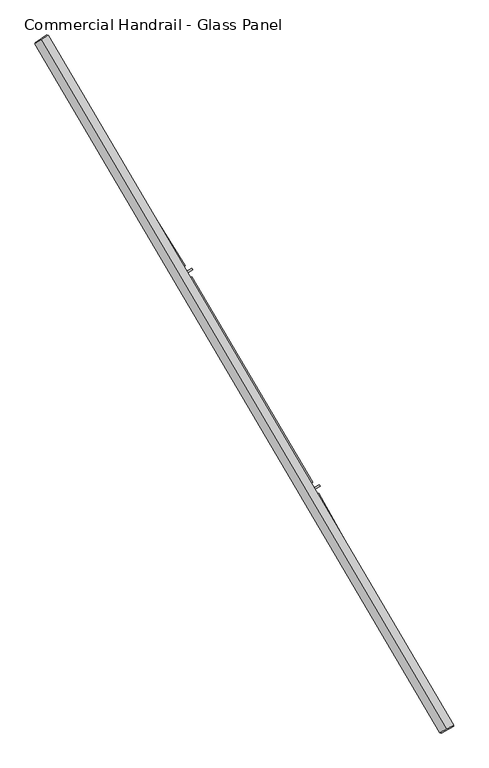
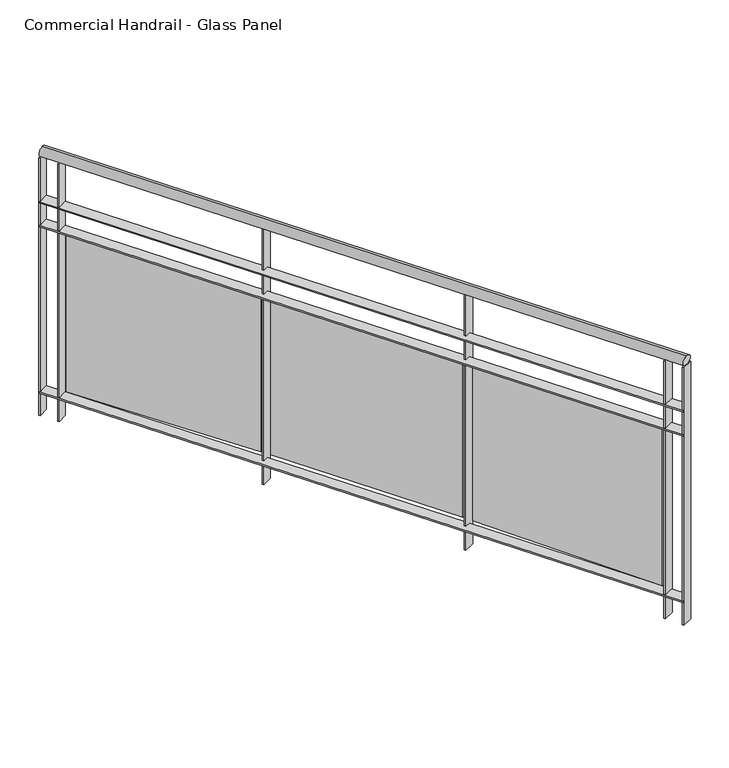
"""IFC4 building model written with IfcOpenShell, lengths in millimetres: railing geometry, Commercial Handrail - Glass Panel."""

from ifc_helpers import new_model, si_unit, point, frame, origin, place, context, project, spatial, polyline, circle_curve, ellipse_curve, trimmed, outline, extrude, source, transform, mapped, element, save
from ifc_brep_helpers import plane_surface, cylinder_surface, revolved_surface, advanced_brep


def commercial_handrail_glass_panel_740058ca(model_context):
    return source(origin(), model_context, "Body", "SolidModel", [
        advanced_brep(
        [(177076.0575657, -31977.9006077, 36682.5), (175783.9289157, -29780.3413827, 36682.5), (175783.9289157, -29780.3413827, 36717.5), (177076.0575657, -31977.9006077, 36717.5)],
        [
            (0, 1, circle_curve(frame((146629.3968491, -48401.3811221, 36682.5), z_axis=(0.0, 0.0, 1.0), x_axis=(0.8427679503753938, 0.5382770493157384, 0.0)), 34593.7835601)),
            (1, 2, ellipse_curve(frame((175783.9289157, -29780.3413827, 36700.0), z_axis=(0.5382770493157341, -0.8427679503753968, 0.0), x_axis=(-0.8427679503753965, -0.538277049315734, 0.0)), 25.0, 17.5)),
            (2, 3, circle_curve(frame((146629.3968491, -48401.3811221, 36717.5), z_axis=(0.0, 0.0, -1.0), x_axis=(0.8427679503753938, 0.5382770493157384, 0.0)), 34593.7835601)),
            (3, 0, ellipse_curve(frame((177076.0575657, -31977.9006077, 36700.0), z_axis=(-0.4747523636984615, 0.8801194198304706, 0.0), x_axis=(-0.8801194198304704, -0.4747523636984614, 0.0)), 25.0, 17.5)),
            (2, 1, ellipse_curve(frame((175783.9289157, -29780.3413827, 36700.0), z_axis=(0.5382770493157341, -0.8427679503753968, 0.0), x_axis=(-0.8427679503753965, -0.538277049315734, 0.0)), 25.0, 17.5)),
            (0, 3, ellipse_curve(frame((177076.0575657, -31977.9006077, 36700.0), z_axis=(-0.4747523636984615, 0.8801194198304706, 0.0), x_axis=(-0.8801194198304704, -0.4747523636984614, 0.0)), 25.0, 17.5)),
        ],
        [
            revolved_surface(trimmed(ellipse_curve(frame((175783.9289157, -29780.3413827, 36700.0), z_axis=(-0.5382770493157384, 0.8427679503753938, 0.0), x_axis=(0.0, 0.0, -1.0)), 17.5, 25.0), [point((175783.9289157, -29780.3413827, 36717.5))], [point((175783.9289157, -29780.3413827, 36682.5))], True, "CARTESIAN"), (146629.3968491, -48401.3811221, 36700.0), (0.0, 0.0, -1.0)),
            revolved_surface(trimmed(ellipse_curve(frame((175783.9289157, -29780.3413827, 36700.0), z_axis=(-0.5382770493157384, 0.8427679503753938, 0.0), x_axis=(0.0, 0.0, -1.0)), 17.5, 25.0), [point((175783.9289157, -29780.3413827, 36682.5))], [point((175783.9289157, -29780.3413827, 36717.5))], True, "CARTESIAN"), (146629.3968491, -48401.3811221, 36700.0), (0.0, 0.0, -1.0)),
            plane_surface(frame((175783.9289157, -29780.3413827, 36700.0), z_axis=(-0.5382770493157384, 0.8427679503753938, 0.0), x_axis=(0.8427679503753938, 0.5382770493157384, 0.0))),
            plane_surface(frame((177076.0575657, -31977.9006077, 36700.0), z_axis=(0.4747523636984607, -0.8801194198304708, 0.0), x_axis=(0.8801194198304708, 0.4747523636984607, 0.0))),
        ],
        [
            (0, [[1, 2, 3, 4]]),
            (1, [[-3, 5, -1, 6]]),
            (2, [[-2, -5]]),
            (3, [[-6, -4]]),
        ],
    ),
        advanced_brep(
        [(177095.8602527, -31967.2186795, 36500.0), (175802.8911946, -29768.2301491, 36500.0), (175764.9666369, -29792.4526163, 36500.0), (177056.2548788, -31988.5825359, 36500.0), (177095.8602527, -31967.2186795, 36494.0), (175802.8911946, -29768.2301491, 36494.0), (177056.2548788, -31988.5825359, 36494.0), (175764.9666369, -29792.4526163, 36494.0)],
        [
            (0, 1, circle_curve(frame((146629.3968491, -48401.3811221, 36500.0), z_axis=(0.0, 0.0, 1.0), x_axis=(0.8427679503753938, 0.5382770493157384, 0.0)), 34616.2835601)),
            (1, 2),
            (2, 3, circle_curve(frame((146629.3968491, -48401.3811221, 36500.0), z_axis=(0.0, 0.0, -1.0), x_axis=(0.8427679503753938, 0.5382770493157384, 0.0)), 34571.2835601)),
            (3, 0),
            (4, 5, circle_curve(frame((146629.3968491, -48401.3811221, 36494.0), z_axis=(0.0, 0.0, 1.0), x_axis=(0.8427679503753938, 0.5382770493157384, 0.0)), 34616.2835601)),
            (5, 1),
            (0, 4),
            (6, 7, circle_curve(frame((146629.3968491, -48401.3811221, 36494.0), z_axis=(0.0, 0.0, 1.0), x_axis=(0.8427679503753938, 0.5382770493157384, 0.0)), 34571.2835601)),
            (7, 5),
            (4, 6),
            (2, 7),
            (6, 3),
        ],
        [
            plane_surface(frame((146629.3968491, -48401.3811221, 36500.0), z_axis=(0.0, 0.0, 1.0), x_axis=(0.8427679503753938, 0.5382770493157384, 0.0))),
            cylinder_surface(frame((146629.3968491, -48401.3811221, 36500.0), z_axis=(0.0, 0.0, -1.0), x_axis=(0.8427679503753938, 0.5382770493157384, 0.0)), 34616.2835601),
            plane_surface(frame((146629.3968491, -48401.3811221, 36494.0), z_axis=(0.0, 0.0, -1.0), x_axis=(0.8427679503753938, 0.5382770493157384, 0.0))),
            revolved_surface(polyline([(175764.96663689203, -29792.45261631168, 36494.0), (175764.96663689203, -29792.45261631168, 36500.0)]), (146629.3968491, -48401.3811221, 36500.0), (0.0, 0.0, -1.0)),
            plane_surface(frame((175783.9289157, -29780.3413827, 36500.0), z_axis=(-0.5382770493157384, 0.8427679503753938, 0.0), x_axis=(0.8427679503753938, 0.5382770493157384, 0.0))),
            plane_surface(frame((177076.0575657, -31977.9006077, 36500.0), z_axis=(0.4747523636984607, -0.8801194198304708, 0.0), x_axis=(0.8801194198304708, 0.4747523636984607, 0.0))),
        ],
        [
            (0, [[1, 2, 3, 4]]),
            (1, [[5, 6, -1, 7]]),
            (2, [[8, 9, -5, 10]]),
            (3, [[-3, 11, -8, 12]]),
            (4, [[-2, -6, -9, -11]]),
            (5, [[-12, -10, -7, -4]]),
        ],
    ),
        advanced_brep(
        [(177095.8602527, -31967.2186795, 36400.0), (175802.8911946, -29768.2301491, 36400.0), (175764.9666369, -29792.4526163, 36400.0), (177056.2548788, -31988.5825359, 36400.0), (177095.8602527, -31967.2186795, 36394.0), (175802.8911946, -29768.2301491, 36394.0), (177056.2548788, -31988.5825359, 36394.0), (175764.9666369, -29792.4526163, 36394.0)],
        [
            (0, 1, circle_curve(frame((146629.3968491, -48401.3811221, 36400.0), z_axis=(0.0, 0.0, 1.0), x_axis=(0.8427679503753938, 0.5382770493157384, 0.0)), 34616.2835601)),
            (1, 2),
            (2, 3, circle_curve(frame((146629.3968491, -48401.3811221, 36400.0), z_axis=(0.0, 0.0, -1.0), x_axis=(0.8427679503753938, 0.5382770493157384, 0.0)), 34571.2835601)),
            (3, 0),
            (4, 5, circle_curve(frame((146629.3968491, -48401.3811221, 36394.0), z_axis=(0.0, 0.0, 1.0), x_axis=(0.8427679503753938, 0.5382770493157384, 0.0)), 34616.2835601)),
            (5, 1),
            (0, 4),
            (6, 7, circle_curve(frame((146629.3968491, -48401.3811221, 36394.0), z_axis=(0.0, 0.0, 1.0), x_axis=(0.8427679503753938, 0.5382770493157384, 0.0)), 34571.2835601)),
            (7, 5),
            (4, 6),
            (2, 7),
            (6, 3),
        ],
        [
            plane_surface(frame((146629.3968491, -48401.3811221, 36400.0), z_axis=(0.0, 0.0, 1.0), x_axis=(0.8427679503753938, 0.5382770493157384, 0.0))),
            cylinder_surface(frame((146629.3968491, -48401.3811221, 36400.0), z_axis=(0.0, 0.0, -1.0), x_axis=(0.8427679503753938, 0.5382770493157384, 0.0)), 34616.2835601),
            plane_surface(frame((146629.3968491, -48401.3811221, 36394.0), z_axis=(0.0, 0.0, -1.0), x_axis=(0.8427679503753938, 0.5382770493157384, 0.0))),
            revolved_surface(polyline([(175764.96663689203, -29792.45261631168, 36394.0), (175764.96663689203, -29792.45261631168, 36400.0)]), (146629.3968491, -48401.3811221, 36400.0), (0.0, 0.0, -1.0)),
            plane_surface(frame((175783.9289157, -29780.3413827, 36400.0), z_axis=(-0.5382770493157384, 0.8427679503753938, 0.0), x_axis=(0.8427679503753938, 0.5382770493157384, 0.0))),
            plane_surface(frame((177076.0575657, -31977.9006077, 36400.0), z_axis=(0.4747523636984607, -0.8801194198304708, 0.0), x_axis=(0.8801194198304708, 0.4747523636984607, 0.0))),
        ],
        [
            (0, [[1, 2, 3, 4]]),
            (1, [[5, 6, -1, 7]]),
            (2, [[8, 9, -5, 10]]),
            (3, [[-3, 11, -8, 12]]),
            (4, [[-2, -6, -9, -11]]),
            (5, [[-12, -10, -7, -4]]),
        ],
    ),
        advanced_brep(
        [(177095.8602527, -31967.2186795, 35700.0), (175802.8911946, -29768.2301491, 35700.0), (175764.9666369, -29792.4526163, 35700.0), (177056.2548788, -31988.5825359, 35700.0), (177095.8602527, -31967.2186795, 35694.0), (175802.8911946, -29768.2301491, 35694.0), (177056.2548788, -31988.5825359, 35694.0), (175764.9666369, -29792.4526163, 35694.0)],
        [
            (0, 1, circle_curve(frame((146629.3968491, -48401.3811221, 35700.0), z_axis=(0.0, 0.0, 1.0), x_axis=(0.8427679503753938, 0.5382770493157384, 0.0)), 34616.2835601)),
            (1, 2),
            (2, 3, circle_curve(frame((146629.3968491, -48401.3811221, 35700.0), z_axis=(0.0, 0.0, -1.0), x_axis=(0.8427679503753938, 0.5382770493157384, 0.0)), 34571.2835601)),
            (3, 0),
            (4, 5, circle_curve(frame((146629.3968491, -48401.3811221, 35694.0), z_axis=(0.0, 0.0, 1.0), x_axis=(0.8427679503753938, 0.5382770493157384, 0.0)), 34616.2835601)),
            (5, 1),
            (0, 4),
            (6, 7, circle_curve(frame((146629.3968491, -48401.3811221, 35694.0), z_axis=(0.0, 0.0, 1.0), x_axis=(0.8427679503753938, 0.5382770493157384, 0.0)), 34571.2835601)),
            (7, 5),
            (4, 6),
            (2, 7),
            (6, 3),
        ],
        [
            plane_surface(frame((146629.3968491, -48401.3811221, 35700.0), z_axis=(0.0, 0.0, 1.0), x_axis=(0.8427679503753938, 0.5382770493157384, 0.0))),
            cylinder_surface(frame((146629.3968491, -48401.3811221, 35700.0), z_axis=(0.0, 0.0, -1.0), x_axis=(0.8427679503753938, 0.5382770493157384, 0.0)), 34616.2835601),
            plane_surface(frame((146629.3968491, -48401.3811221, 35694.0), z_axis=(0.0, 0.0, -1.0), x_axis=(0.8427679503753938, 0.5382770493157384, 0.0))),
            revolved_surface(polyline([(175764.96663689203, -29792.45261631168, 35694.0), (175764.96663689203, -29792.45261631168, 35700.0)]), (146629.3968491, -48401.3811221, 35700.0), (0.0, 0.0, -1.0)),
            plane_surface(frame((175783.9289157, -29780.3413827, 35700.0), z_axis=(-0.5382770493157384, 0.8427679503753938, 0.0), x_axis=(0.8427679503753938, 0.5382770493157384, 0.0))),
            plane_surface(frame((177076.0575657, -31977.9006077, 35700.0), z_axis=(0.4747523636984607, -0.8801194198304708, 0.0), x_axis=(0.8801194198304708, 0.4747523636984607, 0.0))),
        ],
        [
            (0, [[1, 2, 3, 4]]),
            (1, [[5, 6, -1, 7]]),
            (2, [[8, 9, -5, 10]]),
            (3, [[-3, 11, -8, 12]]),
            (4, [[-2, -6, -9, -11]]),
            (5, [[-12, -10, -7, -4]]),
        ],
    ),
        extrude(outline(polyline([(177019.2025619, -31920.0776321), (177058.7615677, -31898.6280386), (177061.6215135, -31903.9025727), (177022.0625077, -31925.3521662), (177019.2025619, -31920.0776321)])), frame((0.0, 0.0, 35600.0), z_axis=(0.0, 0.0, 1.0), x_axis=(1.0, 0.0, 0.0)), (0.0, 0.0, 1.0), 1082.1192282),
        extrude(outline(polyline([(176667.9811331, -31226.6066951), (177037.9417222, -31890.4810526), (177027.4594955, -31896.3225355), (176657.4989064, -31232.4481781), (176667.9811331, -31226.6066951)])), frame((0.0, 0.0, 35720.0), z_axis=(0.0, 0.0, 1.0), x_axis=(1.0, 0.0, 0.0)), (0.0, 0.0, 1.0), 660.0),
        extrude(outline(polyline([(176629.9717234, -31221.766365), (176669.0241625, -31199.4077648), (176672.0053092, -31204.6147567), (176632.9528701, -31226.9733569), (176629.9717234, -31221.766365)])), frame((0.0, 0.0, 35600.0), z_axis=(0.0, 0.0, 1.0), x_axis=(1.0, 0.0, 0.0)), (0.0, 0.0, 1.0), 1082.1192282),
        extrude(outline(polyline([(176262.8087433, -30536.6023126), (176648.0214972, -31191.7443844), (176637.6771487, -31197.8266911), (176252.4643948, -30542.6846193), (176262.8087433, -30536.6023126)])), frame((0.0, 0.0, 35720.0), z_axis=(0.0, 0.0, 1.0), x_axis=(1.0, 0.0, 0.0)), (0.0, 0.0, 1.0), 660.0),
        extrude(outline(polyline([(176224.6975714, -30532.6421866), (176263.2225599, -30509.3865364), (176266.3233132, -30514.5232015), (176227.7983248, -30537.7788517), (176224.6975714, -30532.6421866)])), frame((0.0, 0.0, 35600.0), z_axis=(0.0, 0.0, 1.0), x_axis=(1.0, 0.0, 0.0)), (0.0, 0.0, 1.0), 1082.1192282),
        extrude(outline(polyline([(175841.7893867, -29856.1514219), (176242.0483063, -30502.2108598), (176231.8473678, -30508.5307375), (175831.5884482, -29862.4712996), (175841.7893867, -29856.1514219)])), frame((0.0, 0.0, 35720.0), z_axis=(0.0, 0.0, 1.0), x_axis=(1.0, 0.0, 0.0)), (0.0, 0.0, 1.0), 660.0),
        extrude(outline(polyline([(175803.5968332, -29853.0736178), (175841.5737692, -29828.9333539), (175844.792471, -29833.9969454), (175806.8155351, -29858.1372092), (175803.5968332, -29853.0736178)])), frame((0.0, 0.0, 35600.0), z_axis=(0.0, 0.0, 1.0), x_axis=(1.0, 0.0, 0.0)), (0.0, 0.0, 1.0), 1082.1192282),
        extrude(outline(polyline([(177054.8306217, -31985.9421776), (177094.4359956, -31964.5783212), (177097.2845098, -31969.8590378), (177057.6791359, -31991.2228941), (177054.8306217, -31985.9421776)])), frame((0.0, 0.0, 35600.0), z_axis=(0.0, 0.0, 1.0), x_axis=(1.0, 0.0, 0.0)), (0.0, 0.0, 1.0), 1082.1192282),
        extrude(outline(polyline([(175763.3518057, -29789.9243125), (175801.2763635, -29765.7018453), (175804.5060258, -29770.758453), (175766.581468, -29794.9809202), (175763.3518057, -29789.9243125)])), frame((0.0, 0.0, 35600.0), z_axis=(0.0, 0.0, 1.0), x_axis=(1.0, 0.0, 0.0)), (0.0, 0.0, 1.0), 1082.1192282),
    ])


if __name__ == "__main__":
    model = new_model("IFC4")
    model_context = context("Model", 3, world=origin())
    ifc_project = project(units=[si_unit("LENGTHUNIT", "METRE", prefix="MILLI")], contexts=[model_context])
    site = spatial("IfcSite", under=ifc_project)
    building = spatial("IfcBuilding", under=site)
    placement = place(None, origin())
    commercial_handrail_glass_panel_shape = commercial_handrail_glass_panel_740058ca(model_context)
    element("IfcRailing", 1, ObjectType="Commercial Handrail - Glass Panel", at=placement, inside=building, context=model_context, shape_type="MappedRepresentation", body=[
        mapped(commercial_handrail_glass_panel_shape, transform((0.0, 0.0, 0.0), x_axis=(1.0, 0.0, 0.0), y_axis=(0.0, 1.0, 0.0), z_axis=(0.0, 0.0, 1.0))),
    ])
    save(model, "model.ifc")
